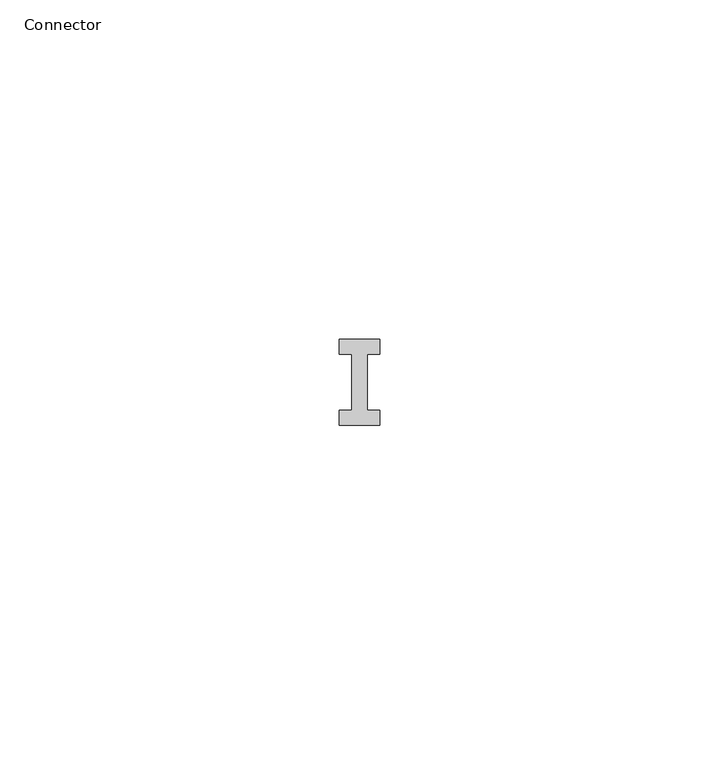
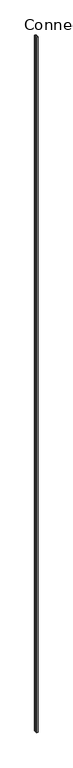
"""IFC4 building model written with IfcOpenShell, lengths in millimetres: furniture geometry, Connector."""

from ifc_helpers import new_model, si_unit, origin, origin_with_axes, place, context, project, spatial, polyline, outline, extrude, source, transform, mapped, element, save


def connector_c0f449b8(model_context):
    return source(origin(), model_context, "Body", "SweptSolid", [
        extrude(outline(polyline([(32.9771532, 19.6260636), (31.1271532, 19.6260636), (31.1271532, 11.3775465), (32.9771532, 11.3775465), (32.9771532, 9.1518048), (26.977153, 9.1518048), (26.977153, 11.3775465), (28.8271531, 11.3775465), (28.8271531, 19.6260636), (26.977153, 19.6260636), (26.977153, 21.8518052), (32.9771532, 21.8518052), (32.9771532, 19.6260636)])), origin_with_axes(), (0.0, 0.0, 1.0), 3048.0),
    ])


if __name__ == "__main__":
    model = new_model("IFC4")
    model_context = context("Model", 3, world=origin())
    ifc_project = project(units=[si_unit("LENGTHUNIT", "METRE", prefix="MILLI")], contexts=[model_context])
    site = spatial("IfcSite", under=ifc_project)
    building = spatial("IfcBuilding", under=site)
    placement = place(None, origin())
    connector_shape = connector_c0f449b8(model_context)
    element("IfcFurniture", 1, ObjectType="Connector", at=placement, inside=building, context=model_context, shape_type="MappedRepresentation", body=[
        mapped(connector_shape, transform((0.0, 0.0, 0.0), x_axis=(1.0, 0.0, 0.0), y_axis=(0.0, 1.0, 0.0), z_axis=(0.0, 0.0, 1.0))),
    ])
    save(model, "model.ifc")
